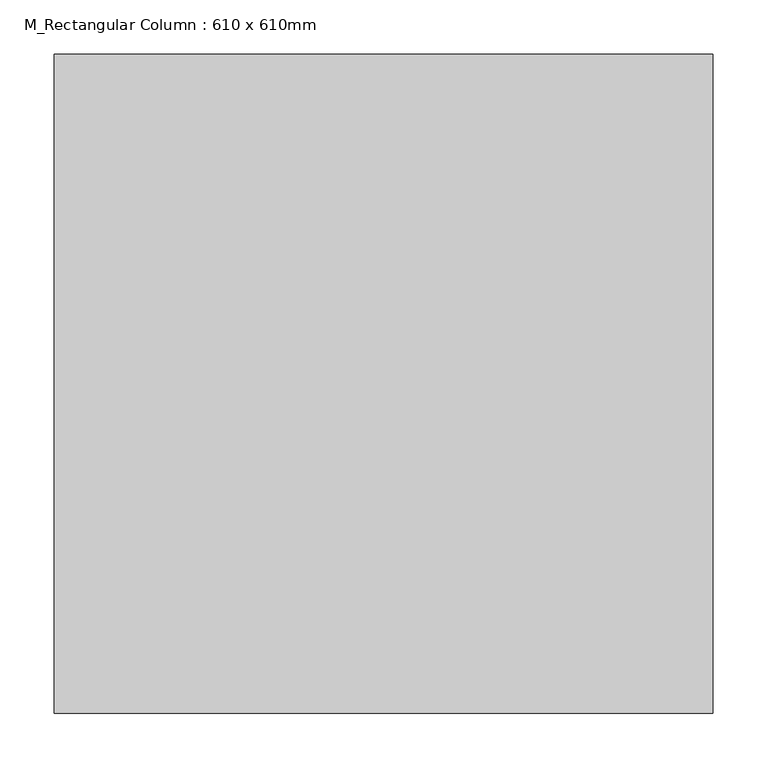
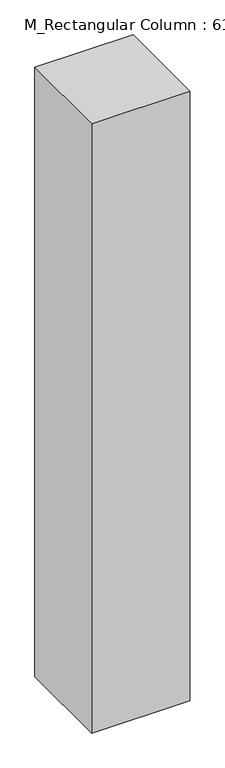
"""IFC4 building model written with IfcOpenShell, lengths in millimetres: column geometry, M_Rectangular Column : 610 x 610mm."""

from ifc_helpers import new_model, si_unit, frame, origin, place, context, project, spatial, polyline, outline, extrude, source, transform, mapped, element, save


def m_rectangular_column_610_x_610mm_4b51a550(model_context):
    return source(origin(), model_context, "Body", "SweptSolid", [
        extrude(outline(polyline([(305.0, 305.0), (305.0, -305.0), (-305.0, -305.0), (-305.0, 305.0), (305.0, 305.0)])), frame((0.0, 0.0, 12000.0), z_axis=(0.0, 0.0, 1.0), x_axis=(1.0, 0.0, 0.0)), (0.0, 0.0, 1.0), 4000.0),
    ])


if __name__ == "__main__":
    model = new_model("IFC4")
    model_context = context("Model", 3, world=origin())
    ifc_project = project(units=[si_unit("LENGTHUNIT", "METRE", prefix="MILLI")], contexts=[model_context])
    site = spatial("IfcSite", under=ifc_project)
    building = spatial("IfcBuilding", under=site)
    placement = place(None, origin())
    m_rectangular_column_610_x_610mm_shape = m_rectangular_column_610_x_610mm_4b51a550(model_context)
    element("IfcColumn", 1, ObjectType="M_Rectangular Column : 610 x 610mm", at=placement, inside=building, context=model_context, shape_type="MappedRepresentation", body=[
        mapped(m_rectangular_column_610_x_610mm_shape, transform((0.0, 0.0, 0.0), x_axis=(1.0, 0.0, 0.0), y_axis=(0.0, 1.0, 0.0), z_axis=(0.0, 0.0, 1.0))),
    ])
    save(model, "model.ifc")
